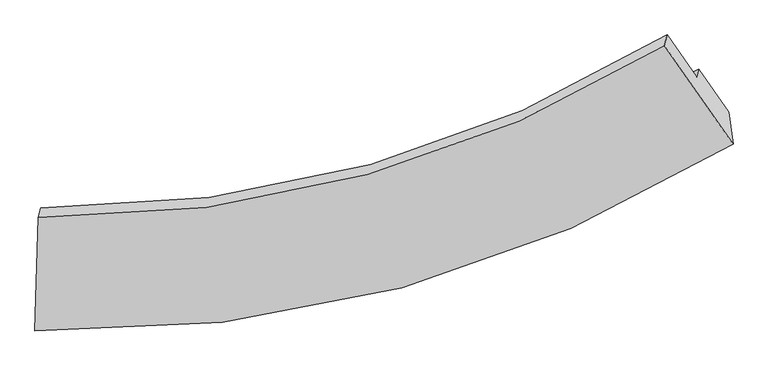
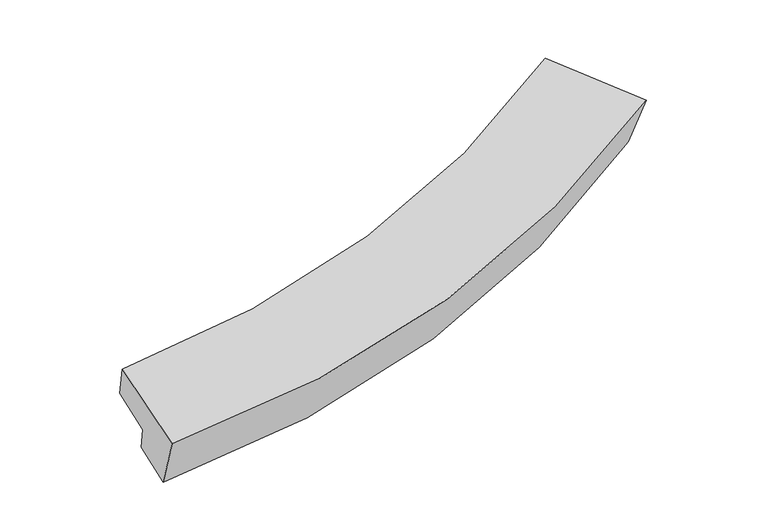
"""IFC4 building model written with IfcOpenShell, lengths in millimetres: proxy geometry."""

from ifc_helpers import new_model, si_unit, frame, origin, place, context, project, spatial, source, transform, mapped, element, save
from ifc_brep_helpers import plane_surface, spline_curve, spline_surface, advanced_brep


def generic_models_34f9becf(model_context):
    return source(origin(), model_context, "Body", "AdvancedBrep", [
        advanced_brep(
        [(-4248.4997058, -3457.0052653, 1732.3437474), (-4182.8101481, -3094.8163795, 857.8020085), (4421.6903371, -720.4673598, 2002.4219337), (4474.6312612, -1123.5080734, 2910.2386856), (-4209.0639871, -2039.6616659, 2088.3362819), (3615.2284964, 111.3500037, 3159.4952329), (-4176.1896541, -1919.4001098, 1605.8869238), (3651.5184513, 244.1066577, 2626.9196987), (-4192.0388686, -2564.5783344, 1407.3439602), (4017.8316728, -282.2412421, 2520.6761857), (-4168.0569468, -2476.8471784, 1055.395746), (4044.178319, -185.8594031, 2134.0243093)],
        [
            (0, 1),
            (1, 2, spline_curve(3, [(-4182.8101481, -3094.8163795, 857.8020085), (-2608.116643531, -3116.911091576, 952.623991045), (-1098.08311394, -2926.564420087, 1096.66654074), (1767.885768223, -2127.8933601, 1479.87963982), (3126.01906698, -1526.790358052, 1717.37706488), (4421.6903371, -720.4673598, 2002.4219337)], [4, 2, 4], [0.0, 15.144681800319779, 30.02973634368743])),
            (2, 3),
            (3, 0, spline_curve(3, [(4474.6312612, -1123.5080734, 2910.2386856), (3154.365069133, -1933.116249334, 2619.465291134), (1774.112317228, -2532.530333235, 2376.3536613), (-1131.487167343, -3317.759148309, 1982.044868932), (-2658.944737601, -3496.177461834, 1832.524851783), (-4248.4997058, -3457.0052653, 1732.3437474)], [4, 2, 4], [0.0, 14.88505454336765, 30.02973634368743])),
            (4, 0),
            (3, 5),
            (5, 4, spline_curve(3, [(3615.2284964, 111.3500037, 3159.4952329), (2436.337016611, -607.944238757, 2900.867996833), (1200.996389078, -1146.865632144, 2682.709938641), (-1405.114743471, -1870.216574597, 2324.232905032), (-2777.87161057, -2048.299071456, 2185.337979268), (-4209.0639871, -2039.6616659, 2088.3362819)], [4, 2, 4], [0.0, 14.210987834411455, 28.669845757526904])),
            (6, 4),
            (5, 7),
            (7, 6, spline_curve(3, [(3651.5184513, 244.1066577, 2626.9196987), (2472.542062777, -475.498199967, 2369.538546521), (1236.878879165, -1015.599574614, 2156.114181331), (-1370.362431709, -1743.084957745, 1814.223149072), (-2743.935283369, -1924.152506009, 1687.303255647), (-4176.1896541, -1919.4001098, 1605.8869238)], [4, 2, 4], [0.0, 13.448056907843519, 27.13067675370968])),
            (8, 6),
            (7, 9),
            (9, 8, spline_curve(3, [(4017.8316728, -282.2412421, 2520.6761857), (2781.755024775, -1037.729481969, 2240.730167156), (1485.996301179, -1605.65970473, 2008.366627793), (-1248.527088655, -2373.038624066, 1635.581529442), (-2689.391879066, -2565.887431724, 1496.834327092), (-4192.0388686, -2564.5783344, 1407.3439602)], [4, 2, 4], [0.0, 13.783495412477215, 27.807404529501333])),
            (10, 8),
            (9, 11),
            (11, 10, spline_curve(3, [(4044.178319, -185.8594031, 2134.0243093), (2806.498201348, -947.21348872, 1877.610112618), (1509.737143762, -1518.810470769, 1659.956390135), (-1225.5956408, -2289.150332969, 1299.049611761), (-2666.246338636, -2481.215943129, 1157.160480016), (-4168.0569468, -2476.8471784, 1055.395746)], [4, 2, 4], [0.0, 14.118810133245757, 28.483882578506744])),
            (1, 10),
            (11, 2),
        ],
        [
            spline_surface(3, 3, [[(-4248.4997058, -3457.0052653, 1732.3437474), (-2658.944737602, -3496.177461821, 1832.524852022), (-1131.487167237, -3317.759148423, 1982.044868703), (1774.112317124, -2532.530333123, 2376.353661525), (3154.365069077, -1933.116249183, 2619.465290915), (4474.6312612, -1123.5080734, 2910.2386856)], [(-4226.603186575, -3336.275636729, 1440.829834444), (-2642.002039645, -3369.755338362, 1539.224565029), (-1120.352482846, -3187.360905674, 1686.918759395), (1772.036800849, -2397.651342069, 2077.528987613), (3144.916401727, -1797.674285432, 2318.769215652), (4456.9842865, -989.161168868, 2607.633101651)], [(-4204.706667325, -3215.546008071, 1149.315921456), (-2625.059341662, -3243.333214817, 1245.924278004), (-1109.217798432, -3056.962662952, 1391.792650083), (1769.961284598, -2262.772351041, 1778.704313696), (3135.467734376, -1662.232321677, 2018.073140337), (4439.3373118, -854.814264332, 2305.027517649)], [(-4182.8101481, -3094.8163795, 857.8020085), (-2608.116643705, -3116.911091358, 952.623991011), (-1098.083114041, -2926.564420203, 1096.666540776), (1767.885768323, -2127.893359987, 1479.879639784), (3126.019067026, -1526.790357926, 1717.377065074), (4421.6903371, -720.4673598, 2002.4219337)]], [4, 4], [4, 2, 4], [0.0, 3.201158854160329], [0.0, 15.144681800319779, 30.02973634368743]),
            spline_surface(3, 3, [[(-4209.0639871, -2039.6616659, 2088.3362819), (-2777.871610683, -2048.299071399, 2185.337979051), (-1405.114743594, -1870.216574693, 2324.232904846), (1200.9963892, -1146.865632049, 2682.709938824), (2436.33701663, -607.944238895, 2900.867996677), (3615.2284964, 111.3500037, 3159.4952329)], [(-4222.209226677, -2512.109532362, 1969.672103738), (-2738.229319666, -2530.925201535, 2067.73360338), (-1313.905551474, -2352.730765961, 2210.170226127), (1392.035031842, -1608.753865765, 2580.59117972), (2675.679700785, -1049.668242343, 2807.06709475), (3901.696084673, -300.269355351, 3076.409717128)], [(-4235.354466223, -2984.557398838, 1851.007925562), (-2698.587028618, -3013.551331685, 1950.129227693), (-1222.696359357, -2835.244957155, 2096.107547421), (1583.073674482, -2070.642099407, 2478.472420629), (2915.022384921, -1491.392245736, 2713.266192841), (4188.163672927, -711.888714349, 2993.324201372)], [(-4248.4997058, -3457.0052653, 1732.3437474), (-2658.944737602, -3496.177461821, 1832.524852022), (-1131.487167237, -3317.759148423, 1982.044868703), (1774.112317124, -2532.530333123, 2376.353661525), (3154.365069077, -1933.116249183, 2619.465290915), (4474.6312612, -1123.5080734, 2910.2386856)]], [4, 4], [4, 2, 4], [0.0, 4.965540233700944], [0.0, 14.458857923115449, 28.669845757526904]),
            spline_surface(3, 3, [[(-4176.1896541, -1919.4001098, 1605.8869238), (-2743.935283337, -1924.152505906, 1687.303255611), (-1370.362431761, -1743.084957955, 1814.223149002), (1236.878879216, -1015.599574408, 2156.114181401), (2472.542062774, -475.498199837, 2369.538546297), (3651.5184513, 244.1066577, 2626.9196987)], [(-4187.147765102, -1959.48729517, 1766.703376506), (-2755.247392454, -1965.534694407, 1853.314830097), (-1381.946535713, -1785.462163516, 1984.226400937), (1224.918049203, -1059.354926936, 2331.646100528), (2460.473714049, -519.646879513, 2546.648363099), (3639.421799657, 199.854439711, 2804.444876775)], [(-4198.105876098, -1999.57448053, 1927.519829194), (-2766.559501566, -2006.916882898, 2019.326404565), (-1393.530639642, -1827.839369133, 2154.229652911), (1212.957219213, -1103.11027952, 2507.178019696), (2448.405365355, -563.79555922, 2723.758179875), (3627.325148043, 155.602221689, 2981.970054825)], [(-4209.0639871, -2039.6616659, 2088.3362819), (-2777.871610683, -2048.299071399, 2185.337979051), (-1405.114743594, -1870.216574693, 2324.232904846), (1200.9963892, -1146.865632049, 2682.709938824), (2436.33701663, -607.944238895, 2900.867996677), (3615.2284964, 111.3500037, 3159.4952329)]], [4, 4], [4, 2, 4], [0.0, 1.7558409455643358], [0.0, 13.68261984586616, 27.13067675370968]),
            spline_surface(3, 3, [[(-4192.0388686, -2564.5783344, 1407.3439602), (-2689.391879233, -2565.887431664, 1496.834326877), (-1248.527088832, -2373.038623856, 1635.5815293), (1485.996301353, -1605.659704937, 2008.366627933), (2781.755024741, -1037.729481985, 2240.730167325), (4017.8316728, -282.2412421, 2520.6761857)], [(-4186.755797088, -2349.518926196, 1473.524948072), (-2707.573013923, -2351.975789741, 1560.323969794), (-1289.138869818, -2163.054068557, 1695.128735889), (1402.957160631, -1408.972994762, 2057.615812443), (2678.684037424, -850.319054613, 2283.666293652), (3895.727265639, -106.791942177, 2556.090690036)], [(-4181.472725612, -2134.459518004, 1539.705935928), (-2725.754148647, -2138.064147829, 1623.813612695), (-1329.750650775, -1953.069513254, 1754.675942413), (1319.918019938, -1212.286284583, 2106.86499689), (2575.613050091, -662.908627209, 2326.60241997), (3773.622858461, 68.657357777, 2591.505194364)], [(-4176.1896541, -1919.4001098, 1605.8869238), (-2743.935283337, -1924.152505906, 1687.303255611), (-1370.362431761, -1743.084957955, 1814.223149002), (1236.878879216, -1015.599574408, 2156.114181401), (2472.542062774, -475.498199837, 2369.538546297), (3651.5184513, 244.1066577, 2626.9196987)]], [4, 4], [4, 2, 4], [0.0, 2.1594825418000734], [0.0, 14.023909117024118, 27.807404529501333]),
            spline_surface(3, 3, [[(-4168.0569468, -2476.8471784, 1055.395746), (-2666.24633877, -2481.215942946, 1157.160480017), (-1225.595640875, -2289.150333119, 1299.049611971), (1509.737143836, -1518.810470622, 1659.956389929), (2806.498201221, -947.213488648, 1877.61011245), (4044.178319, -185.8594031, 2134.0243093)], [(-4176.050920742, -2506.090897067, 1172.711817372), (-2673.961518933, -2509.439772519, 1270.385095609), (-1233.239456839, -2317.113096722, 1411.226917735), (1501.823529697, -1547.760215418, 1776.093135918), (2798.250475732, -977.385486407, 1998.650130744), (4035.396103604, -217.986682746, 2262.908268102)], [(-4184.044894658, -2535.334615733, 1290.027888828), (-2681.67669907, -2537.66360209, 1383.609711285), (-1240.883272868, -2345.075860253, 1523.404223536), (1493.909915491, -1576.709960141, 1892.229881944), (2790.00275023, -1007.557484227, 2119.690149031), (4026.613888196, -250.113962454, 2391.792226898)], [(-4192.0388686, -2564.5783344, 1407.3439602), (-2689.391879233, -2565.887431664, 1496.834326877), (-1248.527088832, -2373.038623856, 1635.5815293), (1485.996301353, -1605.659704937, 2008.366627933), (2781.755024741, -1037.729481985, 2240.730167325), (4017.8316728, -282.2412421, 2520.6761857)]], [4, 4], [4, 2, 4], [0.0, 1.160162157538747], [0.0, 14.365072445260987, 28.483882578506744]),
            spline_surface(3, 3, [[(-4182.8101481, -3094.8163795, 857.8020085), (-2608.116643705, -3116.911091358, 952.623991011), (-1098.083114041, -2926.564420203, 1096.666540776), (1767.885768323, -2127.893359987, 1479.879639784), (3126.019067026, -1526.790357926, 1717.377065074), (4421.6903371, -720.4673598, 2002.4219337)], [(-4177.892414316, -2888.826645775, 923.666587668), (-2627.493208709, -2905.012708529, 1020.802820681), (-1140.587289651, -2714.093057819, 1164.127564514), (1681.836226829, -1924.865730176, 1539.905223172), (3019.512111752, -1333.598068168, 1770.788080841), (4295.852997727, -542.264707568, 2046.289392208)], [(-4172.974680584, -2682.836912125, 989.531166832), (-2646.869773766, -2693.114325775, 1088.981650347), (-1183.091465265, -2501.621695503, 1231.588588232), (1595.78668533, -1721.838100433, 1599.93080654), (2913.005156496, -1140.405778406, 1824.199096684), (4170.015658373, -364.062055332, 2090.156850792)], [(-4168.0569468, -2476.8471784, 1055.395746), (-2666.24633877, -2481.215942946, 1157.160480017), (-1225.595640875, -2289.150333119, 1299.049611971), (1509.737143836, -1518.810470622, 1659.956389929), (2806.498201221, -947.213488648, 1877.61011245), (4044.178319, -185.8594031, 2134.0243093)]], [4, 4], [4, 2, 4], [0.0, 2.2303211287221223], [0.0, 14.709627958058725, 29.16708684397118]),
            plane_surface(frame((4037.5130896, -326.1032362, 2558.9626743), z_axis=(0.8234442382309025, 0.5348414192061841, 0.18943136705900587), x_axis=(-0.5635486839198376, 0.8097514607769503, 0.16344862379908343))),
            plane_surface(frame((-4196.1098851, -2592.0514889, 1457.8514446), z_axis=(-0.9974566884645562, 0.042183090329817534, -0.05745208027171973), x_axis=(-0.06923059931610634, -0.38171293141801793, 0.9216845241765733))),
        ],
        [
            (0, [[1, 2, 3, 4]]),
            (1, [[5, -4, 6, 7]]),
            (2, [[8, -7, 9, 10]]),
            (3, [[11, -10, 12, 13]]),
            (4, [[14, -13, 15, 16]]),
            (5, [[17, -16, 18, -2]]),
            (6, [[-12, -9, -6, -3, -18, -15]]),
            (7, [[-1, -5, -8, -11, -14, -17]]),
        ],
    ),
    ])


if __name__ == "__main__":
    model = new_model("IFC4")
    model_context = context("Model", 3, world=origin())
    ifc_project = project(units=[si_unit("LENGTHUNIT", "METRE", prefix="MILLI")], contexts=[model_context])
    site = spatial("IfcSite", under=ifc_project)
    building = spatial("IfcBuilding", under=site)
    placement = place(None, origin())
    generic_models_shape = generic_models_34f9becf(model_context)
    element("IfcBuildingElementProxy", 1, Name="Generic Models", at=placement, inside=building, context=model_context, shape_type="MappedRepresentation", body=[
        mapped(generic_models_shape, transform((0.0, 0.0, 0.0), x_axis=(1.0, 0.0, 0.0), y_axis=(0.0, 1.0, 0.0), z_axis=(0.0, 0.0, 1.0))),
    ])
    save(model, "model.ifc")
